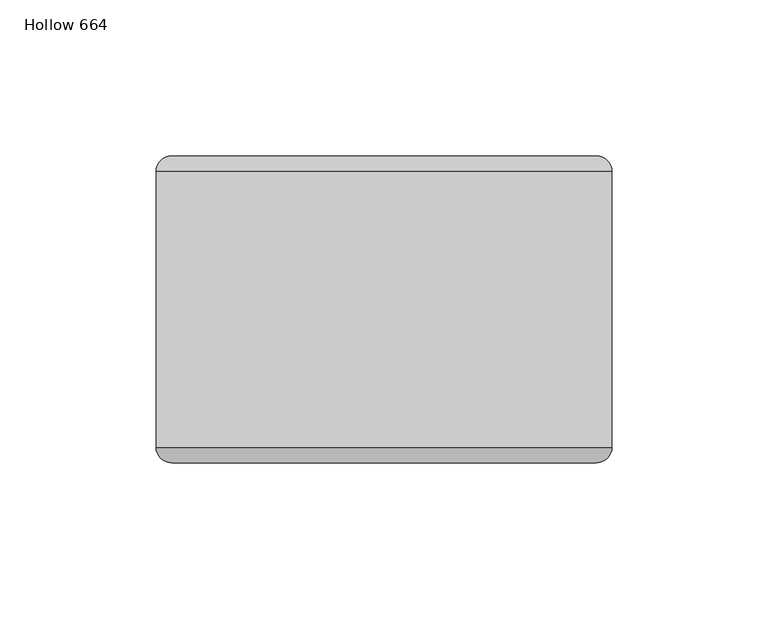
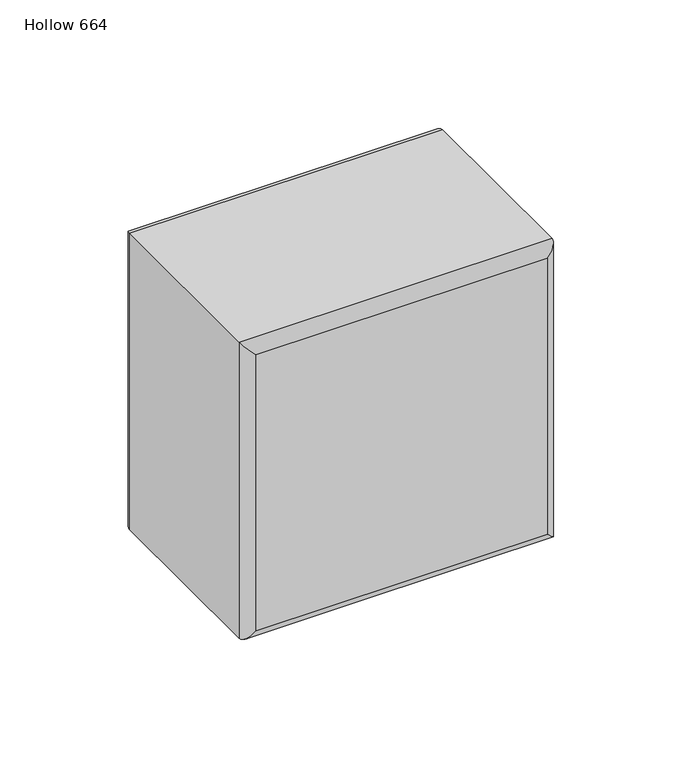
"""IFC4 building model written with IfcOpenShell, lengths in millimetres: plate geometry, Hollow 664."""

from ifc_helpers import new_model, si_unit, frame, origin, place, context, project, spatial, ellipse_curve, source, transform, mapped, element, save
from ifc_brep_helpers import plane_surface, cylinder_surface, advanced_brep


def hollow_664_62002a60(model_context):
    return source(origin(), model_context, "Body", "AdvancedBrep", [
        advanced_brep(
        [(-73.0250002, -44.2, 146.1), (73.0749998, -44.2, 146.1), (73.0749998, 44.2, 146.1), (-73.0250002, 44.2, 146.1), (73.0749998, -44.2, 0.0), (-73.0250002, -44.2, 0.0), (-73.0250002, 44.2, 0.0), (73.0749998, 44.2, 0.0), (-68.0250002, -49.2, 5.0), (68.0749998, -49.2, 5.0), (68.0749998, -49.2, 141.1), (-68.0250002, -49.2, 141.1), (68.0749998, 49.2, 5.0), (-68.0250002, 49.2, 5.0), (-68.0250002, 49.2, 141.1), (68.0749998, 49.2, 141.1)],
        [
            (0, 1),
            (1, 2),
            (2, 3),
            (3, 0),
            (4, 5),
            (5, 6),
            (6, 7),
            (7, 4),
            (8, 9),
            (9, 10),
            (10, 11),
            (11, 8),
            (1, 4),
            (7, 2),
            (12, 13),
            (13, 14),
            (14, 15),
            (15, 12),
            (5, 0),
            (3, 6),
            (4, 9, ellipse_curve(frame((68.0749998, -44.2, 5.0), z_axis=(-0.7071067811865475, 0.0, -0.7071067811865475), x_axis=(0.7071067811865476, 0.0, -0.7071067811865474)), 7.0710678, 5.0)),
            (8, 5, ellipse_curve(frame((-68.0250002, -44.2, 5.0), z_axis=(0.7071067811865475, 0.0, -0.7071067811865475), x_axis=(0.7071067811865476, 0.0, 0.7071067811865474)), 7.0710678, 5.0)),
            (1, 10, ellipse_curve(frame((68.0749998, -44.2, 141.1), z_axis=(0.7071067811865475, 0.0, -0.7071067811865475), x_axis=(0.7071067811865474, 0.0, 0.7071067811865476)), 7.0710678, 5.0)),
            (0, 11, ellipse_curve(frame((-68.0250002, -44.2, 141.1), z_axis=(0.7071067811865475, 0.0, 0.7071067811865475), x_axis=(-0.7071067811865476, 0.0, 0.7071067811865474)), 7.0710678, 5.0)),
            (12, 7, ellipse_curve(frame((68.0749998, 44.2, 5.0), z_axis=(-0.7071067811865475, 0.0, -0.7071067811865475), x_axis=(0.7071067811865476, 0.0, -0.7071067811865474)), 7.0710678, 5.0)),
            (6, 13, ellipse_curve(frame((-68.0250002, 44.2, 5.0), z_axis=(0.7071067811865475, 0.0, -0.7071067811865475), x_axis=(0.7071067811865476, 0.0, 0.7071067811865474)), 7.0710678, 5.0)),
            (15, 2, ellipse_curve(frame((68.0749998, 44.2, 141.1), z_axis=(0.7071067811865475, 0.0, -0.7071067811865475), x_axis=(0.7071067811865474, 0.0, 0.7071067811865476)), 7.0710678, 5.0)),
            (14, 3, ellipse_curve(frame((-68.0250002, 44.2, 141.1), z_axis=(0.7071067811865475, 0.0, 0.7071067811865475), x_axis=(-0.7071067811865476, 0.0, 0.7071067811865474)), 7.0710678, 5.0)),
        ],
        [
            plane_surface(frame((-73.0250002, -49.2, 146.1), z_axis=(0.0, 0.0, 1.0), x_axis=(1.0, 0.0, 0.0))),
            plane_surface(frame((-73.0250002, -49.2, 0.0), z_axis=(0.0, 0.0, -1.0), x_axis=(-1.0, 0.0, 0.0))),
            plane_surface(frame((-73.0250002, -49.2, 146.1), z_axis=(0.0, -1.0, 0.0), x_axis=(0.0, 0.0, -1.0))),
            plane_surface(frame((73.0749998, -49.2, 146.1), z_axis=(1.0, 0.0, 0.0), x_axis=(0.0, 0.0, -1.0))),
            plane_surface(frame((73.0749998, 49.2, 146.1), z_axis=(0.0, 1.0, 0.0), x_axis=(0.0, 0.0, -1.0))),
            plane_surface(frame((-73.0250002, 49.2, 146.1), z_axis=(-1.0, 0.0, 0.0), x_axis=(0.0, 0.0, -1.0))),
            cylinder_surface(frame((-73.0250002, -44.2, 5.0), z_axis=(1.0, 0.0, 0.0), x_axis=(0.0, 0.0, -1.0)), 5.0),
            cylinder_surface(frame((68.0749998, -44.2, 0.0), z_axis=(0.0, 0.0, 1.0), x_axis=(1.0, 0.0, 0.0)), 5.0),
            cylinder_surface(frame((73.0749998, -44.2, 141.1), z_axis=(-1.0, 0.0, 0.0), x_axis=(0.0, 0.0, 1.0)), 5.0),
            cylinder_surface(frame((-68.0250002, -44.2, 146.1), z_axis=(0.0, 0.0, -1.0), x_axis=(-1.0, 0.0, 0.0)), 5.0),
            cylinder_surface(frame((-73.0250002, 44.2, 5.0), z_axis=(1.0, 0.0, 0.0), x_axis=(0.0, 0.0, -1.0)), 5.0),
            cylinder_surface(frame((68.0749998, 44.2, 0.0), z_axis=(0.0, 0.0, 1.0), x_axis=(1.0, 0.0, 0.0)), 5.0),
            cylinder_surface(frame((73.0749998, 44.2, 141.1), z_axis=(-1.0, 0.0, 0.0), x_axis=(0.0, 0.0, 1.0)), 5.0),
            cylinder_surface(frame((-68.0250002, 44.2, 146.1), z_axis=(0.0, 0.0, -1.0), x_axis=(-1.0, 0.0, 0.0)), 5.0),
        ],
        [
            (0, [[1, 2, 3, 4]]),
            (1, [[5, 6, 7, 8]]),
            (2, [[9, 10, 11, 12]]),
            (3, [[13, -8, 14, -2]]),
            (4, [[15, 16, 17, 18]]),
            (5, [[19, -4, 20, -6]]),
            (6, [[21, -9, 22, -5]]),
            (7, [[-21, -13, 23, -10]]),
            (8, [[-23, -1, 24, -11]]),
            (9, [[-22, -12, -24, -19]]),
            (10, [[25, -7, 26, -15]]),
            (11, [[-25, -18, 27, -14]]),
            (12, [[-27, -17, 28, -3]]),
            (13, [[-26, -20, -28, -16]]),
        ],
    ),
    ])


if __name__ == "__main__":
    model = new_model("IFC4")
    model_context = context("Model", 3, world=origin())
    ifc_project = project(units=[si_unit("LENGTHUNIT", "METRE", prefix="MILLI")], contexts=[model_context])
    site = spatial("IfcSite", under=ifc_project)
    building = spatial("IfcBuilding", under=site)
    placement = place(None, origin())
    hollow_664_shape = hollow_664_62002a60(model_context)
    element("IfcPlate", 1, ObjectType="Hollow 664", at=placement, inside=building, context=model_context, shape_type="MappedRepresentation", body=[
        mapped(hollow_664_shape, transform((0.0, 0.0, 0.0), x_axis=(1.0, 0.0, 0.0), y_axis=(0.0, 1.0, 0.0), z_axis=(0.0, 0.0, 1.0))),
    ])
    save(model, "model.ifc")
